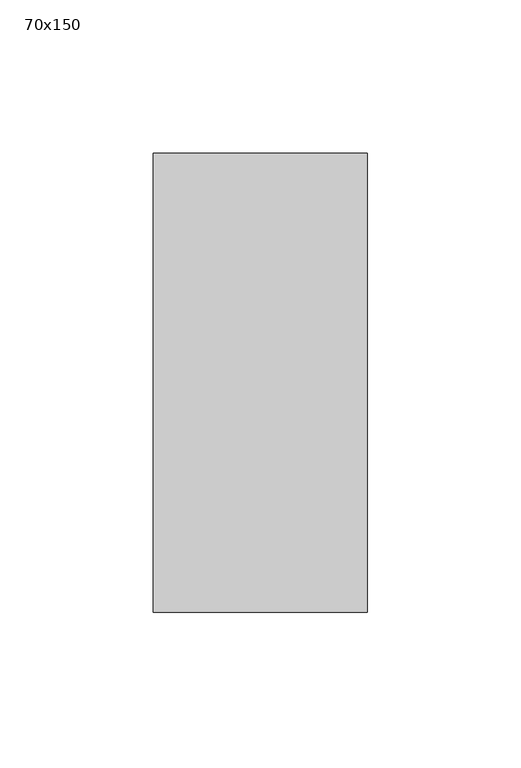
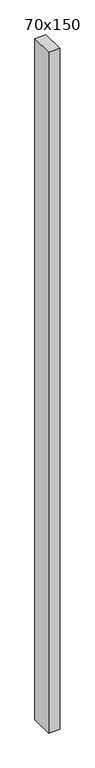
"""IFC4 building model written with IfcOpenShell, lengths in millimetres: member geometry, 70x150."""

import ifcopenshell
import ifcopenshell.guid

model = None  # the IFC model being written
_history = None  # IfcOwnerHistory: only IFC2X3 demands one
_inside = {}  # id of a spatial element -> (the spatial element, [elements in it])
_under = {}  # id of a project, library or spatial element -> (it, [spatial elements below it])
_declared = {}  # id of a project -> (the project, [libraries it declares])
_typed = {}  # id of a type object -> (the type object, [elements of that type])
_made_of = {}  # id of a material, layer set ... -> (it, [elements and type objects made of it])


def new_model(schema):
    """Start an empty IFC model of exactly this schema.

    Asked for "IFC4X3", IfcOpenShell would pick the latest addendum, in which some entities
    have other attributes; the version numbers below select the first issue.
    IFC2X3 requires an IfcOwnerHistory on every rooted entity: one is made here for all.
    """
    global model, _history
    if schema == "IFC4X3":
        model = ifcopenshell.file(schema_version=(4, 3, 0, 0))
    else:
        model = ifcopenshell.file(schema=schema)
    _inside.clear()
    _under.clear()
    _declared.clear()
    _typed.clear()
    _made_of.clear()
    _history = None
    if model.schema == "IFC2X3":
        org = make("IfcOrganization", Name="unknown")
        user = make(
            "IfcPersonAndOrganization",
            ThePerson=make("IfcPerson", FamilyName="unknown"),
            TheOrganization=org,
        )
        app = make(
            "IfcApplication",
            ApplicationDeveloper=org,
            Version="unknown",
            ApplicationFullName="unknown",
            ApplicationIdentifier="unknown",
        )
        _history = make(
            "IfcOwnerHistory",
            OwningUser=user,
            OwningApplication=app,
            ChangeAction="ADDED",
            CreationDate=0,
        )
    return model


def make(cls, **values):
    """One entity of the class cls with the attributes given. An attribute that is None is left unset."""
    return model.create_entity(
        cls, **{name: value for name, value in values.items() if value is not None}
    )


def rooted(cls, **values):
    """An entity with a GlobalId (a new one), such as an element, a storey or a relation."""
    return make(cls, GlobalId=ifcopenshell.guid.new(), OwnerHistory=_history, **values)


def si_unit(unit_type, name, prefix=None):
    """IfcSIUnit, for example si_unit("LENGTHUNIT", "METRE", prefix="MILLI")."""
    return make("IfcSIUnit", UnitType=unit_type, Prefix=prefix, Name=name)


def assignment(units):
    """IfcUnitAssignment: the units of a project."""
    return None if units is None else make("IfcUnitAssignment", Units=units)


def point(xyz):
    """IfcCartesianPoint."""
    return None if xyz is None else make("IfcCartesianPoint", Coordinates=xyz)


def direction(xyz):
    """IfcDirection."""
    return None if xyz is None else make("IfcDirection", DirectionRatios=xyz)


def frame(location, z_axis=None, x_axis=None):
    """IfcAxis2Placement3D, a coordinate frame: its origin and axes. An axis left out is left unset."""
    return make(
        "IfcAxis2Placement3D",
        Location=point(location),
        Axis=direction(z_axis),
        RefDirection=direction(x_axis),
    )


def origin():
    """The frame at (0, 0, 0) with its axes left unset."""
    return frame((0.0, 0.0, 0.0))


def place(relative_to, where):
    """IfcLocalPlacement: puts the frame where relative to a parent placement (None: the world)."""
    return make(
        "IfcLocalPlacement", PlacementRelTo=relative_to, RelativePlacement=where
    )


def context(
    kind, dimensions, precision=None, world=None, true_north=None, identifier=None
):
    """IfcGeometricRepresentationContext, for example the 3D "Model" context."""
    return make(
        "IfcGeometricRepresentationContext",
        ContextIdentifier=identifier,
        ContextType=kind,
        CoordinateSpaceDimension=dimensions,
        Precision=precision,
        WorldCoordinateSystem=world,
        TrueNorth=true_north,
    )


def project(units=None, contexts=None):
    """IfcProject with its units and contexts."""
    return rooted(
        "IfcProject",
        Name="project",
        RepresentationContexts=contexts,
        UnitsInContext=assignment(units),
    )


def spatial(cls, under=None, at=None, **own):
    """A site, building, storey or space (cls), placed at a placement, below another one or the project."""
    s = rooted(cls, ObjectPlacement=at, **own)
    if under is not None:
        _under.setdefault(under.id(), (under, []))[1].append(s)
    return s


def polyline(points):
    """IfcPolyline through the points."""
    return make("IfcPolyline", Points=[point(p) for p in points])


def outline(outer, holes=None, kind="AREA"):
    """IfcArbitraryClosedProfileDef: a profile drawn as a closed curve; with holes, ...WithVoids."""
    if holes is None:
        return make("IfcArbitraryClosedProfileDef", ProfileType=kind, OuterCurve=outer)
    return make(
        "IfcArbitraryProfileDefWithVoids",
        ProfileType=kind,
        OuterCurve=outer,
        InnerCurves=holes,
    )


def extrude(swept, where, along, depth):
    """IfcExtrudedAreaSolid: the profile swept, set in the frame where, extruded along a direction by depth."""
    return make(
        "IfcExtrudedAreaSolid",
        SweptArea=swept,
        Position=where,
        ExtrudedDirection=direction(along),
        Depth=depth,
    )


def shape(context_of_items, identifier, shape_type, items):
    """IfcShapeRepresentation: the items that make up one representation, for example the "Body"."""
    return make(
        "IfcShapeRepresentation",
        ContextOfItems=context_of_items,
        RepresentationIdentifier=identifier,
        RepresentationType=shape_type,
        Items=items,
    )


def source(mapping_origin, context_of_items, identifier, shape_type, items):
    """IfcRepresentationMap: a shape defined once, which mapped items show again and again."""
    return make(
        "IfcRepresentationMap",
        MappingOrigin=mapping_origin,
        MappedRepresentation=shape(context_of_items, identifier, shape_type, items),
    )


def transform(
    local_origin,
    x_axis=None,
    y_axis=None,
    z_axis=None,
    scale=None,
    scale2=None,
    scale3=None,
    uniform=True,
):
    """IfcCartesianTransformationOperator3D, or its non-uniform kind. x_axis, y_axis, z_axis: its Axis1, 2, 3."""
    if uniform:
        return make(
            "IfcCartesianTransformationOperator3D",
            Axis1=direction(x_axis),
            Axis2=direction(y_axis),
            LocalOrigin=point(local_origin),
            Scale=scale,
            Axis3=direction(z_axis),
        )
    return make(
        "IfcCartesianTransformationOperator3DnonUniform",
        Axis1=direction(x_axis),
        Axis2=direction(y_axis),
        LocalOrigin=point(local_origin),
        Scale=scale,
        Axis3=direction(z_axis),
        Scale2=scale2,
        Scale3=scale3,
    )


def mapped(mapping_source, mapping_target):
    """IfcMappedItem: shows the shape of a source again, moved by a transform."""
    return make(
        "IfcMappedItem", MappingSource=mapping_source, MappingTarget=mapping_target
    )


def made_of(thing, what):
    """Note that an element or type object is made of a material, layer set ...; save() writes the relation."""
    if what is not None:
        _made_of.setdefault(what.id(), (what, []))[1].append(thing)
    return thing


def element(
    cls,
    number,
    at=None,
    inside=None,
    cuts=None,
    type_object=None,
    material=None,
    context=None,
    identifier="Body",
    shape_type=None,
    held_by="IfcProductDefinitionShape",
    body=None,
    shapes=None,
    **own,
):
    """One element of the class cls, such as IfcWall. Its Tag is "e" and its number.

    at: its placement. inside: the storey or other place that contains it. cuts: it is an
    opening in that element (IfcRelVoidsElement). A single representation is given by context,
    identifier, shape_type and body (its items); several are given by shapes. held_by: the class
    of the entity that holds the representations. save() writes the other relations.
    """
    e = rooted(cls, Tag="e%d" % number, ObjectPlacement=at, **own)
    if body is not None:
        shapes = [shape(context, identifier, shape_type, body)]
    if shapes is not None:
        e.Representation = make(held_by, Representations=shapes)
    if inside is not None:
        _inside.setdefault(inside.id(), (inside, []))[1].append(e)
    if cuts is not None:
        rooted(
            "IfcRelVoidsElement", RelatingBuildingElement=cuts, RelatedOpeningElement=e
        )
    if type_object is not None:
        _typed.setdefault(type_object.id(), (type_object, []))[1].append(e)
    return made_of(e, material)


def aggregate(whole, parts):
    """IfcRelAggregates: a whole, such as a stair, and the parts it consists of."""
    return rooted("IfcRelAggregates", RelatingObject=whole, RelatedObjects=parts)


def save(model, path):
    """Write the relations noted so far, then the file.

    IfcRelAggregates (storeys below a building ...), IfcRelContainedInSpatialStructure (elements
    in a storey), IfcRelDefinesByType, IfcRelAssociatesMaterial and IfcRelDeclares: one each for
    every whole, place, type object, material and project.
    """
    for whole, parts in _under.values():
        aggregate(whole, parts)
    for where, things in _inside.values():
        rooted(
            "IfcRelContainedInSpatialStructure",
            RelatedElements=things,
            RelatingStructure=where,
        )
    for kind, things in _typed.values():
        rooted("IfcRelDefinesByType", RelatedObjects=things, RelatingType=kind)
    for what, things in _made_of.values():
        rooted("IfcRelAssociatesMaterial", RelatedObjects=things, RelatingMaterial=what)
    for by, libraries in _declared.values():
        rooted("IfcRelDeclares", RelatingContext=by, RelatedDefinitions=libraries)
    model.write(path)


def member_70x150_5c89d520(model_context):
    return source(origin(), model_context, "Body", "SweptSolid", [
        extrude(outline(polyline([(35.0, 75.0), (35.0, -75.0), (-35.0, -75.0), (-35.0, 75.0), (35.0, 75.0)])), frame((0.0, 0.0, -4563.3333333), z_axis=(0.0, 0.0, 1.0), x_axis=(1.0, 0.0, 0.0)), (0.0, 0.0, 1.0), 4563.3333333),
    ])


if __name__ == "__main__":
    model = new_model("IFC4")
    model_context = context("Model", 3, world=origin())
    ifc_project = project(units=[si_unit("LENGTHUNIT", "METRE", prefix="MILLI")], contexts=[model_context])
    site = spatial("IfcSite", under=ifc_project)
    building = spatial("IfcBuilding", under=site)
    placement = place(None, origin())
    member_70x150_shape = member_70x150_5c89d520(model_context)
    element("IfcMember", 1, ObjectType="70x150", at=placement, inside=building, context=model_context, shape_type="MappedRepresentation", body=[
        mapped(member_70x150_shape, transform((0.0, 0.0, 0.0), x_axis=(1.0, 0.0, 0.0), y_axis=(0.0, 1.0, 0.0), z_axis=(0.0, 0.0, 1.0))),
    ])
    save(model, "model.ifc")
